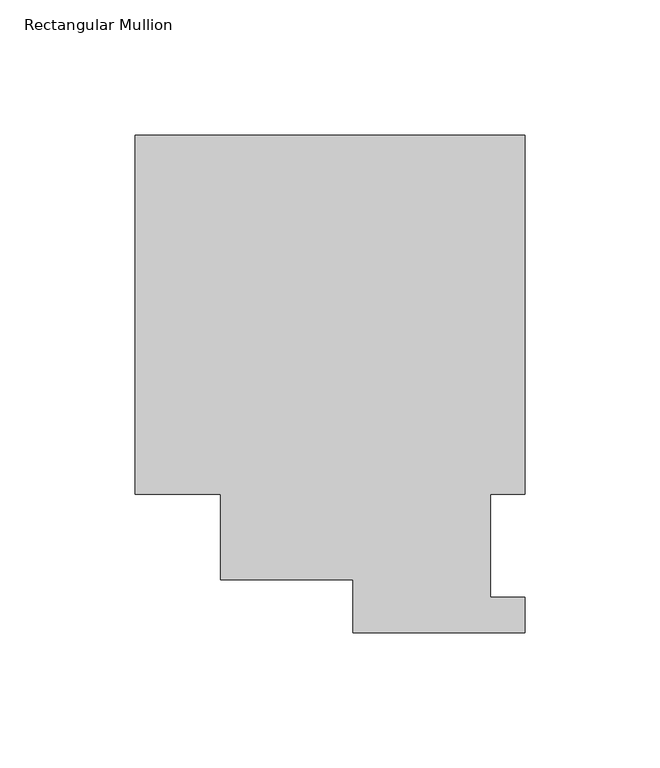
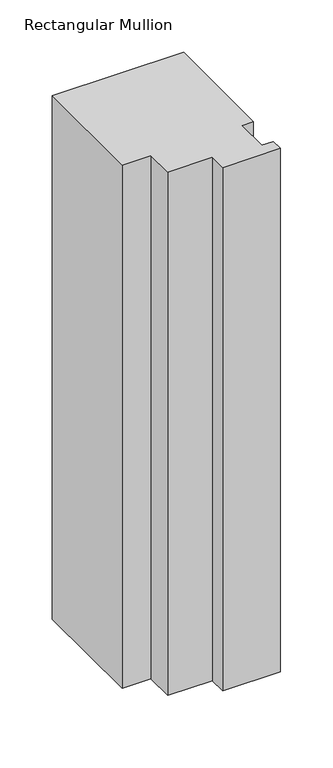
"""IFC4 building model written with IfcOpenShell, lengths in millimetres: member geometry, Rectangular Mullion."""

import ifcopenshell
import ifcopenshell.guid

model = None  # the IFC model being written
_history = None  # IfcOwnerHistory: only IFC2X3 demands one
_inside = {}  # id of a spatial element -> (the spatial element, [elements in it])
_under = {}  # id of a project, library or spatial element -> (it, [spatial elements below it])
_declared = {}  # id of a project -> (the project, [libraries it declares])
_typed = {}  # id of a type object -> (the type object, [elements of that type])
_made_of = {}  # id of a material, layer set ... -> (it, [elements and type objects made of it])


def new_model(schema):
    """Start an empty IFC model of exactly this schema.

    Asked for "IFC4X3", IfcOpenShell would pick the latest addendum, in which some entities
    have other attributes; the version numbers below select the first issue.
    IFC2X3 requires an IfcOwnerHistory on every rooted entity: one is made here for all.
    """
    global model, _history
    if schema == "IFC4X3":
        model = ifcopenshell.file(schema_version=(4, 3, 0, 0))
    else:
        model = ifcopenshell.file(schema=schema)
    _inside.clear()
    _under.clear()
    _declared.clear()
    _typed.clear()
    _made_of.clear()
    _history = None
    if model.schema == "IFC2X3":
        org = make("IfcOrganization", Name="unknown")
        user = make(
            "IfcPersonAndOrganization",
            ThePerson=make("IfcPerson", FamilyName="unknown"),
            TheOrganization=org,
        )
        app = make(
            "IfcApplication",
            ApplicationDeveloper=org,
            Version="unknown",
            ApplicationFullName="unknown",
            ApplicationIdentifier="unknown",
        )
        _history = make(
            "IfcOwnerHistory",
            OwningUser=user,
            OwningApplication=app,
            ChangeAction="ADDED",
            CreationDate=0,
        )
    return model


def make(cls, **values):
    """One entity of the class cls with the attributes given. An attribute that is None is left unset."""
    return model.create_entity(
        cls, **{name: value for name, value in values.items() if value is not None}
    )


def rooted(cls, **values):
    """An entity with a GlobalId (a new one), such as an element, a storey or a relation."""
    return make(cls, GlobalId=ifcopenshell.guid.new(), OwnerHistory=_history, **values)


def si_unit(unit_type, name, prefix=None):
    """IfcSIUnit, for example si_unit("LENGTHUNIT", "METRE", prefix="MILLI")."""
    return make("IfcSIUnit", UnitType=unit_type, Prefix=prefix, Name=name)


def assignment(units):
    """IfcUnitAssignment: the units of a project."""
    return None if units is None else make("IfcUnitAssignment", Units=units)


def point(xyz):
    """IfcCartesianPoint."""
    return None if xyz is None else make("IfcCartesianPoint", Coordinates=xyz)


def direction(xyz):
    """IfcDirection."""
    return None if xyz is None else make("IfcDirection", DirectionRatios=xyz)


def frame(location, z_axis=None, x_axis=None):
    """IfcAxis2Placement3D, a coordinate frame: its origin and axes. An axis left out is left unset."""
    return make(
        "IfcAxis2Placement3D",
        Location=point(location),
        Axis=direction(z_axis),
        RefDirection=direction(x_axis),
    )


def origin():
    """The frame at (0, 0, 0) with its axes left unset."""
    return frame((0.0, 0.0, 0.0))


def place(relative_to, where):
    """IfcLocalPlacement: puts the frame where relative to a parent placement (None: the world)."""
    return make(
        "IfcLocalPlacement", PlacementRelTo=relative_to, RelativePlacement=where
    )


def context(
    kind, dimensions, precision=None, world=None, true_north=None, identifier=None
):
    """IfcGeometricRepresentationContext, for example the 3D "Model" context."""
    return make(
        "IfcGeometricRepresentationContext",
        ContextIdentifier=identifier,
        ContextType=kind,
        CoordinateSpaceDimension=dimensions,
        Precision=precision,
        WorldCoordinateSystem=world,
        TrueNorth=true_north,
    )


def project(units=None, contexts=None):
    """IfcProject with its units and contexts."""
    return rooted(
        "IfcProject",
        Name="project",
        RepresentationContexts=contexts,
        UnitsInContext=assignment(units),
    )


def spatial(cls, under=None, at=None, **own):
    """A site, building, storey or space (cls), placed at a placement, below another one or the project."""
    s = rooted(cls, ObjectPlacement=at, **own)
    if under is not None:
        _under.setdefault(under.id(), (under, []))[1].append(s)
    return s


def polyline(points):
    """IfcPolyline through the points."""
    return make("IfcPolyline", Points=[point(p) for p in points])


def outline(outer, holes=None, kind="AREA"):
    """IfcArbitraryClosedProfileDef: a profile drawn as a closed curve; with holes, ...WithVoids."""
    if holes is None:
        return make("IfcArbitraryClosedProfileDef", ProfileType=kind, OuterCurve=outer)
    return make(
        "IfcArbitraryProfileDefWithVoids",
        ProfileType=kind,
        OuterCurve=outer,
        InnerCurves=holes,
    )


def extrude(swept, where, along, depth):
    """IfcExtrudedAreaSolid: the profile swept, set in the frame where, extruded along a direction by depth."""
    return make(
        "IfcExtrudedAreaSolid",
        SweptArea=swept,
        Position=where,
        ExtrudedDirection=direction(along),
        Depth=depth,
    )


def shape(context_of_items, identifier, shape_type, items):
    """IfcShapeRepresentation: the items that make up one representation, for example the "Body"."""
    return make(
        "IfcShapeRepresentation",
        ContextOfItems=context_of_items,
        RepresentationIdentifier=identifier,
        RepresentationType=shape_type,
        Items=items,
    )


def source(mapping_origin, context_of_items, identifier, shape_type, items):
    """IfcRepresentationMap: a shape defined once, which mapped items show again and again."""
    return make(
        "IfcRepresentationMap",
        MappingOrigin=mapping_origin,
        MappedRepresentation=shape(context_of_items, identifier, shape_type, items),
    )


def transform(
    local_origin,
    x_axis=None,
    y_axis=None,
    z_axis=None,
    scale=None,
    scale2=None,
    scale3=None,
    uniform=True,
):
    """IfcCartesianTransformationOperator3D, or its non-uniform kind. x_axis, y_axis, z_axis: its Axis1, 2, 3."""
    if uniform:
        return make(
            "IfcCartesianTransformationOperator3D",
            Axis1=direction(x_axis),
            Axis2=direction(y_axis),
            LocalOrigin=point(local_origin),
            Scale=scale,
            Axis3=direction(z_axis),
        )
    return make(
        "IfcCartesianTransformationOperator3DnonUniform",
        Axis1=direction(x_axis),
        Axis2=direction(y_axis),
        LocalOrigin=point(local_origin),
        Scale=scale,
        Axis3=direction(z_axis),
        Scale2=scale2,
        Scale3=scale3,
    )


def mapped(mapping_source, mapping_target):
    """IfcMappedItem: shows the shape of a source again, moved by a transform."""
    return make(
        "IfcMappedItem", MappingSource=mapping_source, MappingTarget=mapping_target
    )


def made_of(thing, what):
    """Note that an element or type object is made of a material, layer set ...; save() writes the relation."""
    if what is not None:
        _made_of.setdefault(what.id(), (what, []))[1].append(thing)
    return thing


def element(
    cls,
    number,
    at=None,
    inside=None,
    cuts=None,
    type_object=None,
    material=None,
    context=None,
    identifier="Body",
    shape_type=None,
    held_by="IfcProductDefinitionShape",
    body=None,
    shapes=None,
    **own,
):
    """One element of the class cls, such as IfcWall. Its Tag is "e" and its number.

    at: its placement. inside: the storey or other place that contains it. cuts: it is an
    opening in that element (IfcRelVoidsElement). A single representation is given by context,
    identifier, shape_type and body (its items); several are given by shapes. held_by: the class
    of the entity that holds the representations. save() writes the other relations.
    """
    e = rooted(cls, Tag="e%d" % number, ObjectPlacement=at, **own)
    if body is not None:
        shapes = [shape(context, identifier, shape_type, body)]
    if shapes is not None:
        e.Representation = make(held_by, Representations=shapes)
    if inside is not None:
        _inside.setdefault(inside.id(), (inside, []))[1].append(e)
    if cuts is not None:
        rooted(
            "IfcRelVoidsElement", RelatingBuildingElement=cuts, RelatedOpeningElement=e
        )
    if type_object is not None:
        _typed.setdefault(type_object.id(), (type_object, []))[1].append(e)
    return made_of(e, material)


def aggregate(whole, parts):
    """IfcRelAggregates: a whole, such as a stair, and the parts it consists of."""
    return rooted("IfcRelAggregates", RelatingObject=whole, RelatedObjects=parts)


def save(model, path):
    """Write the relations noted so far, then the file.

    IfcRelAggregates (storeys below a building ...), IfcRelContainedInSpatialStructure (elements
    in a storey), IfcRelDefinesByType, IfcRelAssociatesMaterial and IfcRelDeclares: one each for
    every whole, place, type object, material and project.
    """
    for whole, parts in _under.values():
        aggregate(whole, parts)
    for where, things in _inside.values():
        rooted(
            "IfcRelContainedInSpatialStructure",
            RelatedElements=things,
            RelatingStructure=where,
        )
    for kind, things in _typed.values():
        rooted("IfcRelDefinesByType", RelatedObjects=things, RelatingType=kind)
    for what, things in _made_of.values():
        rooted("IfcRelAssociatesMaterial", RelatedObjects=things, RelatingMaterial=what)
    for by, libraries in _declared.values():
        rooted("IfcRelDeclares", RelatingContext=by, RelatedDefinitions=libraries)
    model.write(path)


def rectangular_mullion_95b66840(model_context):
    return source(origin(), model_context, "Body", "SweptSolid", [
        extrude(outline(polyline([(0.0, 184.2396937), (0.0, 51.2960938), (-12.6873001, 51.2960937), (-12.6873001, 13.1960938), (0.0, 13.1960938), (0.0, 0.0134938), (-63.5000001, 0.0134938), (-63.5000001, 19.5430757), (-112.6644875, 19.5430757), (-112.6644875, 51.2960937), (-144.3735814, 51.2960938), (-144.3735814, 184.2396937), (0.0, 184.2396937)])), frame((0.0, 0.0, -609.6), z_axis=(0.0, 0.0, 1.0), x_axis=(1.0, 0.0, 0.0)), (0.0, 0.0, 1.0), 609.6),
    ])


if __name__ == "__main__":
    model = new_model("IFC4")
    model_context = context("Model", 3, world=origin())
    ifc_project = project(units=[si_unit("LENGTHUNIT", "METRE", prefix="MILLI")], contexts=[model_context])
    site = spatial("IfcSite", under=ifc_project)
    building = spatial("IfcBuilding", under=site)
    placement = place(None, origin())
    rectangular_mullion_shape = rectangular_mullion_95b66840(model_context)
    element("IfcMember", 1, ObjectType="Rectangular Mullion", at=placement, inside=building, context=model_context, shape_type="MappedRepresentation", body=[
        mapped(rectangular_mullion_shape, transform((0.0, 0.0, 0.0), x_axis=(1.0, 0.0, 0.0), y_axis=(0.0, 1.0, 0.0), z_axis=(0.0, 0.0, 1.0))),
    ])
    save(model, "model.ifc")
